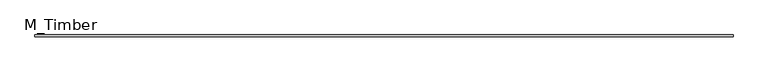
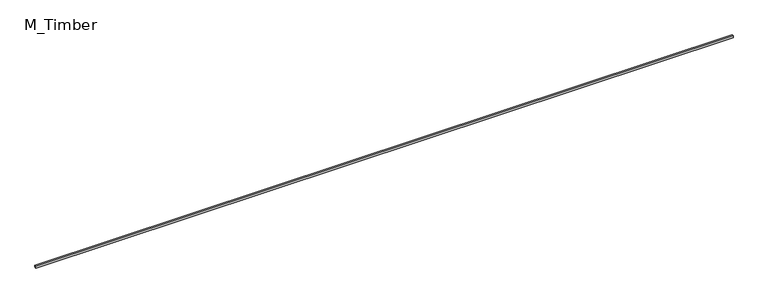
"""IFC4 building model written with IfcOpenShell, lengths in millimetres: beam geometry, M_Timber."""

from ifc_helpers import new_model, si_unit, frame, origin, place, context, project, spatial, polyline, outline, extrude, source, transform, mapped, element, save


def m_timber_9818105d(model_context):
    return source(origin(), model_context, "Body", "SweptSolid", [
        extrude(outline(polyline([(7688.1029169, 20.0), (7688.1029169, -20.0), (-7688.1029169, -20.0), (-7688.1029169, 20.0), (7688.1029169, 20.0)])), frame((0.0, 0.0, -20.0), z_axis=(0.0, 0.0, 1.0), x_axis=(1.0, 0.0, 0.0)), (0.0, 0.0, 1.0), 40.0),
    ])


if __name__ == "__main__":
    model = new_model("IFC4")
    model_context = context("Model", 3, world=origin())
    ifc_project = project(units=[si_unit("LENGTHUNIT", "METRE", prefix="MILLI")], contexts=[model_context])
    site = spatial("IfcSite", under=ifc_project)
    building = spatial("IfcBuilding", under=site)
    placement = place(None, origin())
    m_timber_shape = m_timber_9818105d(model_context)
    element("IfcBeam", 1, ObjectType="M_Timber", at=placement, inside=building, context=model_context, shape_type="MappedRepresentation", body=[
        mapped(m_timber_shape, transform((0.0, 0.0, 0.0), x_axis=(1.0, 0.0, 0.0), y_axis=(0.0, 1.0, 0.0), z_axis=(0.0, 0.0, 1.0))),
    ])
    save(model, "model.ifc")
